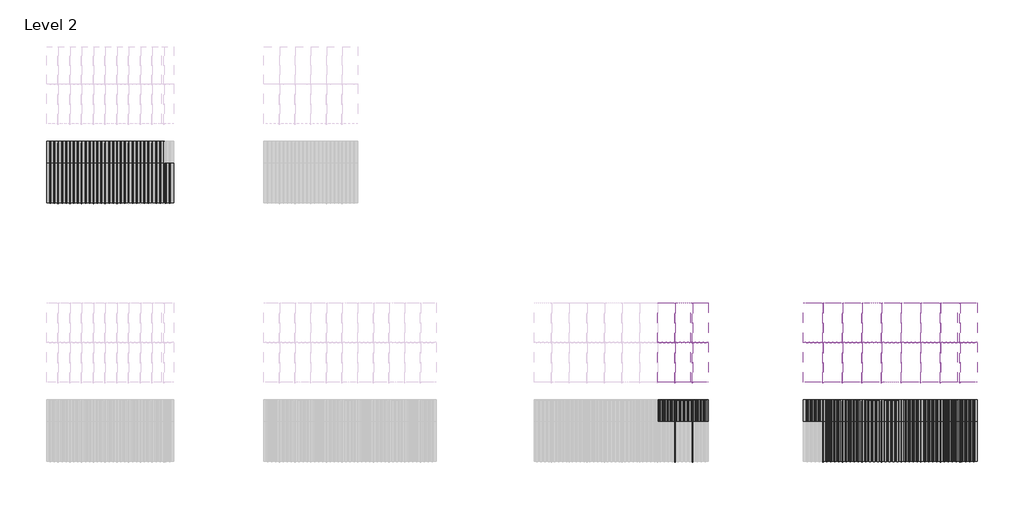
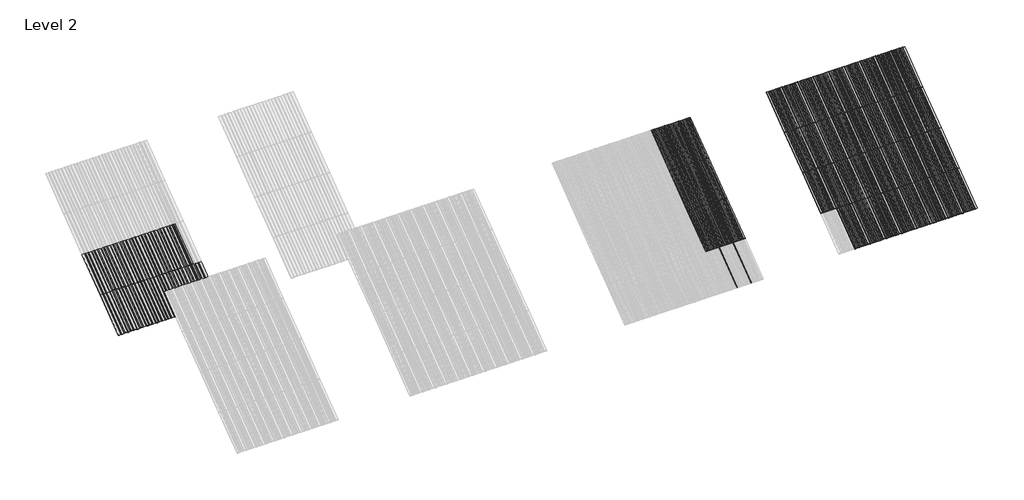
# One storey, part 44 of 113: 65 plates, 46 members.
"""IFC4 building model written with IfcOpenShell, lengths in millimetres."""

import ifcopenshell
import ifcopenshell.guid

model = None  # the IFC model being written
_history = None  # IfcOwnerHistory: only IFC2X3 demands one
_inside = {}  # id of a spatial element -> (the spatial element, [elements in it])
_under = {}  # id of a project, library or spatial element -> (it, [spatial elements below it])
_declared = {}  # id of a project -> (the project, [libraries it declares])
_typed = {}  # id of a type object -> (the type object, [elements of that type])
_made_of = {}  # id of a material, layer set ... -> (it, [elements and type objects made of it])


def new_model(schema):
    """Start an empty IFC model of exactly this schema.

    Asked for "IFC4X3", IfcOpenShell would pick the latest addendum, in which some entities
    have other attributes; the version numbers below select the first issue.
    IFC2X3 requires an IfcOwnerHistory on every rooted entity: one is made here for all.
    """
    global model, _history
    if schema == "IFC4X3":
        model = ifcopenshell.file(schema_version=(4, 3, 0, 0))
    else:
        model = ifcopenshell.file(schema=schema)
    _inside.clear()
    _under.clear()
    _declared.clear()
    _typed.clear()
    _made_of.clear()
    _history = None
    if model.schema == "IFC2X3":
        org = make("IfcOrganization", Name="unknown")
        user = make(
            "IfcPersonAndOrganization",
            ThePerson=make("IfcPerson", FamilyName="unknown"),
            TheOrganization=org,
        )
        app = make(
            "IfcApplication",
            ApplicationDeveloper=org,
            Version="unknown",
            ApplicationFullName="unknown",
            ApplicationIdentifier="unknown",
        )
        _history = make(
            "IfcOwnerHistory",
            OwningUser=user,
            OwningApplication=app,
            ChangeAction="ADDED",
            CreationDate=0,
        )
    return model


def make(cls, **values):
    """One entity of the class cls with the attributes given. An attribute that is None is left unset."""
    return model.create_entity(
        cls, **{name: value for name, value in values.items() if value is not None}
    )


def rooted(cls, **values):
    """An entity with a GlobalId (a new one), such as an element, a storey or a relation."""
    return make(cls, GlobalId=ifcopenshell.guid.new(), OwnerHistory=_history, **values)


def si_unit(unit_type, name, prefix=None):
    """IfcSIUnit, for example si_unit("LENGTHUNIT", "METRE", prefix="MILLI")."""
    return make("IfcSIUnit", UnitType=unit_type, Prefix=prefix, Name=name)


def assignment(units):
    """IfcUnitAssignment: the units of a project."""
    return None if units is None else make("IfcUnitAssignment", Units=units)


def point(xyz):
    """IfcCartesianPoint."""
    return None if xyz is None else make("IfcCartesianPoint", Coordinates=xyz)


def direction(xyz):
    """IfcDirection."""
    return None if xyz is None else make("IfcDirection", DirectionRatios=xyz)


def frame(location, z_axis=None, x_axis=None):
    """IfcAxis2Placement3D, a coordinate frame: its origin and axes. An axis left out is left unset."""
    return make(
        "IfcAxis2Placement3D",
        Location=point(location),
        Axis=direction(z_axis),
        RefDirection=direction(x_axis),
    )


def frame_2d(location, x_axis=None):
    """IfcAxis2Placement2D, a coordinate frame in the plane: its origin and x axis."""
    return make(
        "IfcAxis2Placement2D", Location=point(location), RefDirection=direction(x_axis)
    )


def origin():
    """The frame at (0, 0, 0) with its axes left unset."""
    return frame((0.0, 0.0, 0.0))


def origin_with_axes():
    """The frame at (0, 0, 0) with the z axis (0, 0, 1) and the x axis (1, 0, 0) written out."""
    return frame((0.0, 0.0, 0.0), z_axis=(0.0, 0.0, 1.0), x_axis=(1.0, 0.0, 0.0))


def place(relative_to, where):
    """IfcLocalPlacement: puts the frame where relative to a parent placement (None: the world)."""
    return make(
        "IfcLocalPlacement", PlacementRelTo=relative_to, RelativePlacement=where
    )


def context(
    kind, dimensions, precision=None, world=None, true_north=None, identifier=None
):
    """IfcGeometricRepresentationContext, for example the 3D "Model" context."""
    return make(
        "IfcGeometricRepresentationContext",
        ContextIdentifier=identifier,
        ContextType=kind,
        CoordinateSpaceDimension=dimensions,
        Precision=precision,
        WorldCoordinateSystem=world,
        TrueNorth=true_north,
    )


def project(units=None, contexts=None):
    """IfcProject with its units and contexts."""
    return rooted(
        "IfcProject",
        Name="project",
        RepresentationContexts=contexts,
        UnitsInContext=assignment(units),
    )


def spatial(cls, under=None, at=None, **own):
    """A site, building, storey or space (cls), placed at a placement, below another one or the project."""
    s = rooted(cls, ObjectPlacement=at, **own)
    if under is not None:
        _under.setdefault(under.id(), (under, []))[1].append(s)
    return s


def polyline(points):
    """IfcPolyline through the points."""
    return make("IfcPolyline", Points=[point(p) for p in points])


def circle_curve(where, radius):
    """IfcCircle in the frame where."""
    return make("IfcCircle", Position=where, Radius=radius)


def trimmed(basis, trim1, trim2, sense, master):
    """IfcTrimmedCurve: the piece of a basis curve between two trims."""
    return make(
        "IfcTrimmedCurve",
        BasisCurve=basis,
        Trim1=trim1,
        Trim2=trim2,
        SenseAgreement=sense,
        MasterRepresentation=master,
    )


def segment(curve, same_sense, transition):
    """IfcCompositeCurveSegment."""
    return make(
        "IfcCompositeCurveSegment",
        Transition=transition,
        SameSense=same_sense,
        ParentCurve=curve,
    )


def composite_curve(segments, self_intersect=None):
    """IfcCompositeCurve: segments joined end to end."""
    return make("IfcCompositeCurve", Segments=segments, SelfIntersect=self_intersect)


def outline(outer, holes=None, kind="AREA"):
    """IfcArbitraryClosedProfileDef: a profile drawn as a closed curve; with holes, ...WithVoids."""
    if holes is None:
        return make("IfcArbitraryClosedProfileDef", ProfileType=kind, OuterCurve=outer)
    return make(
        "IfcArbitraryProfileDefWithVoids",
        ProfileType=kind,
        OuterCurve=outer,
        InnerCurves=holes,
    )


def extrude(swept, where, along, depth):
    """IfcExtrudedAreaSolid: the profile swept, set in the frame where, extruded along a direction by depth."""
    return make(
        "IfcExtrudedAreaSolid",
        SweptArea=swept,
        Position=where,
        ExtrudedDirection=direction(along),
        Depth=depth,
    )


def shape(context_of_items, identifier, shape_type, items):
    """IfcShapeRepresentation: the items that make up one representation, for example the "Body"."""
    return make(
        "IfcShapeRepresentation",
        ContextOfItems=context_of_items,
        RepresentationIdentifier=identifier,
        RepresentationType=shape_type,
        Items=items,
    )


def source(mapping_origin, context_of_items, identifier, shape_type, items):
    """IfcRepresentationMap: a shape defined once, which mapped items show again and again."""
    return make(
        "IfcRepresentationMap",
        MappingOrigin=mapping_origin,
        MappedRepresentation=shape(context_of_items, identifier, shape_type, items),
    )


def transform(
    local_origin,
    x_axis=None,
    y_axis=None,
    z_axis=None,
    scale=None,
    scale2=None,
    scale3=None,
    uniform=True,
):
    """IfcCartesianTransformationOperator3D, or its non-uniform kind. x_axis, y_axis, z_axis: its Axis1, 2, 3."""
    if uniform:
        return make(
            "IfcCartesianTransformationOperator3D",
            Axis1=direction(x_axis),
            Axis2=direction(y_axis),
            LocalOrigin=point(local_origin),
            Scale=scale,
            Axis3=direction(z_axis),
        )
    return make(
        "IfcCartesianTransformationOperator3DnonUniform",
        Axis1=direction(x_axis),
        Axis2=direction(y_axis),
        LocalOrigin=point(local_origin),
        Scale=scale,
        Axis3=direction(z_axis),
        Scale2=scale2,
        Scale3=scale3,
    )


def mapped(mapping_source, mapping_target):
    """IfcMappedItem: shows the shape of a source again, moved by a transform."""
    return make(
        "IfcMappedItem", MappingSource=mapping_source, MappingTarget=mapping_target
    )


def made_of(thing, what):
    """Note that an element or type object is made of a material, layer set ...; save() writes the relation."""
    if what is not None:
        _made_of.setdefault(what.id(), (what, []))[1].append(thing)
    return thing


def element(
    cls,
    number,
    at=None,
    inside=None,
    cuts=None,
    type_object=None,
    material=None,
    context=None,
    identifier="Body",
    shape_type=None,
    held_by="IfcProductDefinitionShape",
    body=None,
    shapes=None,
    **own,
):
    """One element of the class cls, such as IfcWall. Its Tag is "e" and its number.

    at: its placement. inside: the storey or other place that contains it. cuts: it is an
    opening in that element (IfcRelVoidsElement). A single representation is given by context,
    identifier, shape_type and body (its items); several are given by shapes. held_by: the class
    of the entity that holds the representations. save() writes the other relations.
    """
    e = rooted(cls, Tag="e%d" % number, ObjectPlacement=at, **own)
    if body is not None:
        shapes = [shape(context, identifier, shape_type, body)]
    if shapes is not None:
        e.Representation = make(held_by, Representations=shapes)
    if inside is not None:
        _inside.setdefault(inside.id(), (inside, []))[1].append(e)
    if cuts is not None:
        rooted(
            "IfcRelVoidsElement", RelatingBuildingElement=cuts, RelatedOpeningElement=e
        )
    if type_object is not None:
        _typed.setdefault(type_object.id(), (type_object, []))[1].append(e)
    return made_of(e, material)


def aggregate(whole, parts):
    """IfcRelAggregates: a whole, such as a stair, and the parts it consists of."""
    return rooted("IfcRelAggregates", RelatingObject=whole, RelatedObjects=parts)


def save(model, path):
    """Write the relations noted so far, then the file.

    IfcRelAggregates (storeys below a building ...), IfcRelContainedInSpatialStructure (elements
    in a storey), IfcRelDefinesByType, IfcRelAssociatesMaterial and IfcRelDeclares: one each for
    every whole, place, type object, material and project.
    """
    for whole, parts in _under.values():
        aggregate(whole, parts)
    for where, things in _inside.values():
        rooted(
            "IfcRelContainedInSpatialStructure",
            RelatedElements=things,
            RelatingStructure=where,
        )
    for kind, things in _typed.values():
        rooted("IfcRelDefinesByType", RelatedObjects=things, RelatingType=kind)
    for what, things in _made_of.values():
        rooted("IfcRelAssociatesMaterial", RelatedObjects=things, RelatingMaterial=what)
    for by, libraries in _declared.values():
        rooted("IfcRelDeclares", RelatingContext=by, RelatedDefinitions=libraries)
    model.write(path)


def rectangular_mullion_707b4951(model_context):
    return source(origin(), model_context, "Body", "SweptSolid", [
        extrude(outline(composite_curve([segment(polyline([(-1.651, -33.918525), (-1.651, 0.396875), (1.778, 0.396875), (1.778, -36.458525)]), True, "CONTINUOUS"), segment(trimmed(circle_curve(frame_2d((-0.762, -36.458525)), 2.54), [point((1.778, -36.458525))], [point((-0.762, -38.998525))], False, "CARTESIAN"), True, "CONTINUOUS"), segment(polyline([(-0.762, -38.998525), (-5.207, -38.998525)]), True, "CONTINUOUS"), segment(trimmed(circle_curve(frame_2d((-5.207, -36.458525)), 2.54), [point((-5.207, -38.998525))], [point((-7.747, -36.458525))], False, "CARTESIAN"), True, "CONTINUOUS"), segment(polyline([(-7.747, -36.458525), (-7.747, -26.425525)]), True, "CONTINUOUS"), segment(trimmed(circle_curve(frame_2d((-5.207, -26.425525)), 2.54), [point((-7.747, -26.425525))], [point((-2.667, -26.425525))], False, "CARTESIAN"), True, "CONTINUOUS"), segment(polyline([(-2.667, -26.425525), (-2.667, -33.918525), (-1.651, -33.918525)]), True, "CONTINUOUS")], self_intersect=False)), frame((0.0, 0.0, -1285.875), z_axis=(0.0, 0.0, 1.0), x_axis=(1.0, 0.0, 0.0)), (0.0, 0.0, 1.0), 1285.875),
    ])


def plate_0_032_aluminium_893c7c46(model_context):
    return source(origin(), model_context, "Body", "SweptSolid", [
        extrude(outline(polyline([(14.706393, 0.0), (-14.706393, 0.0), (-37.203173, -3.54838), (-66.870787, -3.54838), (-89.367567, 0.0), (-118.780353, 0.0), (-141.277133, -3.54838), (-170.944747, -3.54838), (-193.441527, 0.0), (-228.6, 0.0), (-228.6, 0.8128), (-193.37782, 0.8128), (-170.88104, -2.73558), (-141.34084, -2.73558), (-118.84406, 0.8128), (-89.30386, 0.8128), (-66.80708, -2.73558), (-37.26688, -2.73558), (-14.7701, 0.8128), (14.7701, 0.8128), (37.26688, -2.73558), (66.80708, -2.73558), (89.30386, 0.8128), (118.84406, 0.8128), (141.34084, -2.73558), (170.88104, -2.73558), (193.37782, 0.8128), (228.6, 0.8128), (228.6, 0.0), (193.441527, 0.0), (170.944747, -3.54838), (141.277133, -3.54838), (118.780353, 0.0), (89.367567, 0.0), (66.870787, -3.54838), (37.203173, -3.54838), (14.706393, 0.0)])), origin_with_axes(), (0.0, 0.0, 1.0), 1285.875),
    ])


def plate_0_032_aluminium_e5f8d374(model_context):
    return source(origin(), model_context, "Body", "SweptSolid", [
        extrude(outline(polyline([(14.706393, 0.0), (-14.706393, 0.0), (-37.203173, -3.54838), (-66.870787, -3.54838), (-89.367567, 0.0), (-118.780353, 0.0), (-141.277133, -3.54838), (-170.944747, -3.54838), (-193.441527, 0.0), (-254.0, 0.0), (-254.0, 0.8128), (-193.37782, 0.8128), (-170.88104, -2.73558), (-141.34084, -2.73558), (-118.84406, 0.8128), (-89.30386, 0.8128), (-66.80708, -2.73558), (-37.26688, -2.73558), (-14.7701, 0.8128), (14.7701, 0.8128), (37.26688, -2.73558), (66.80708, -2.73558), (89.30386, 0.8128), (118.84406, 0.8128), (141.34084, -2.73558), (170.88104, -2.73558), (193.37782, 0.8128), (254.0, 0.8128), (254.0, 0.0), (193.441527, 0.0), (170.944747, -3.54838), (141.277133, -3.54838), (118.780353, 0.0), (89.367567, 0.0), (66.870787, -3.54838), (37.203173, -3.54838), (14.706393, 0.0)])), origin_with_axes(), (0.0, 0.0, 1.0), 1285.875),
    ])


def plate_0_032_aluminium_1d77b2c9(model_context):
    return source(origin(), model_context, "Body", "SweptSolid", [
        extrude(outline(polyline([(-70.35546, 0.8128), (-66.80708, -2.73558), (-37.26688, -2.73558), (-33.7185, 0.8128), (33.7185, 0.8128), (37.26688, -2.73558), (66.80708, -2.73558), (70.35546, 0.8128), (152.4, 0.8128), (152.4, 0.0), (70.419167, 0.0), (66.870787, -3.54838), (37.203173, -3.54838), (33.654793, 0.0), (-33.654793, 0.0), (-37.203173, -3.54838), (-66.870787, -3.54838), (-70.419167, 0.0), (-152.4, 0.0), (-152.4, 0.8128), (-70.35546, 0.8128)])), origin_with_axes(), (0.0, 0.0, 1.0), 1285.875),
    ])


model = new_model("IFC4")

# Units and contexts
model_context = context("Model", 3, world=origin())
ifc_project = project(units=[si_unit("LENGTHUNIT", "METRE", prefix="MILLI")], contexts=[model_context])

# Site, building, storey
site = spatial("IfcSite", under=ifc_project)
building = spatial("IfcBuilding", under=site)
storey = spatial("IfcBuildingStorey", under=building, Name="Level 2", Elevation=3048.0)

# Members
placement = place(None, origin())
rectangular_mullion_shape = rectangular_mullion_707b4951(model_context)
element("IfcMember", 1, ObjectType="Rectangular Mullion", at=placement, inside=storey, context=model_context, shape_type="MappedRepresentation", body=[
    mapped(rectangular_mullion_shape, transform((112292.4738425, 45668.9258739, 6134.1), x_axis=(1.0, 0.0, 0.0), y_axis=(0.0, 0.5999999999999946, -0.800000000000004), z_axis=(0.0, 0.800000000000004, 0.5999999999999946))),
])
element("IfcMember", 2, ObjectType="Rectangular Mullion", at=placement, inside=storey, context=model_context, shape_type="MappedRepresentation", body=[
    mapped(rectangular_mullion_shape, transform((112749.6738425, 45668.9258739, 6134.1), x_axis=(1.0, 0.0, 0.0), y_axis=(0.0, 0.5999999999999946, -0.800000000000004), z_axis=(0.0, 0.800000000000004, 0.5999999999999946))),
])
element("IfcMember", 3, ObjectType="Rectangular Mullion", at=placement, inside=storey, context=model_context, shape_type="MappedRepresentation", body=[
    mapped(rectangular_mullion_shape, transform((116127.8738425, 45668.9258739, 6134.1), x_axis=(1.0, 0.0, 0.0), y_axis=(0.0, 0.5999999999999946, -0.800000000000004), z_axis=(0.0, 0.800000000000004, 0.5999999999999946))),
])
element("IfcMember", 4, ObjectType="Rectangular Mullion", at=placement, inside=storey, context=model_context, shape_type="MappedRepresentation", body=[
    mapped(rectangular_mullion_shape, transform((116635.8738425, 45668.9258739, 6134.1), x_axis=(1.0, 0.0, 0.0), y_axis=(0.0, 0.5999999999999946, -0.800000000000004), z_axis=(0.0, 0.800000000000004, 0.5999999999999946))),
])
element("IfcMember", 5, ObjectType="Rectangular Mullion", at=placement, inside=storey, context=model_context, shape_type="MappedRepresentation", body=[
    mapped(rectangular_mullion_shape, transform((117143.8738425, 45668.9258739, 6134.1), x_axis=(1.0, 0.0, 0.0), y_axis=(0.0, 0.5999999999999946, -0.800000000000004), z_axis=(0.0, 0.800000000000004, 0.5999999999999946))),
])
element("IfcMember", 6, ObjectType="Rectangular Mullion", at=placement, inside=storey, context=model_context, shape_type="MappedRepresentation", body=[
    mapped(rectangular_mullion_shape, transform((117651.8738425, 45668.9258739, 6134.1), x_axis=(1.0, 0.0, 0.0), y_axis=(0.0, 0.5999999999999946, -0.800000000000004), z_axis=(0.0, 0.800000000000004, 0.5999999999999946))),
])
element("IfcMember", 7, ObjectType="Rectangular Mullion", at=placement, inside=storey, context=model_context, shape_type="MappedRepresentation", body=[
    mapped(rectangular_mullion_shape, transform((118159.8738425, 45668.9258739, 6134.1), x_axis=(1.0, 0.0, 0.0), y_axis=(0.0, 0.5999999999999946, -0.800000000000004), z_axis=(0.0, 0.800000000000004, 0.5999999999999946))),
])
element("IfcMember", 8, ObjectType="Rectangular Mullion", at=placement, inside=storey, context=model_context, shape_type="MappedRepresentation", body=[
    mapped(rectangular_mullion_shape, transform((118667.8738425, 45668.9258739, 6134.1), x_axis=(1.0, 0.0, 0.0), y_axis=(0.0, 0.5999999999999946, -0.800000000000004), z_axis=(0.0, 0.800000000000004, 0.5999999999999946))),
])
element("IfcMember", 9, ObjectType="Rectangular Mullion", at=placement, inside=storey, context=model_context, shape_type="MappedRepresentation", body=[
    mapped(rectangular_mullion_shape, transform((119175.8738425, 45668.9258739, 6134.1), x_axis=(1.0, 0.0, 0.0), y_axis=(0.0, 0.5999999999999946, -0.800000000000004), z_axis=(0.0, 0.800000000000004, 0.5999999999999946))),
])
element("IfcMember", 10, ObjectType="Rectangular Mullion", at=placement, inside=storey, context=model_context, shape_type="MappedRepresentation", body=[
    mapped(rectangular_mullion_shape, transform((119683.8738425, 45668.9258739, 6134.1), x_axis=(1.0, 0.0, 0.0), y_axis=(0.0, 0.5999999999999946, -0.800000000000004), z_axis=(0.0, 0.800000000000004, 0.5999999999999946))),
])
element("IfcMember", 11, ObjectType="Rectangular Mullion", at=placement, inside=storey, context=model_context, shape_type="MappedRepresentation", body=[
    mapped(rectangular_mullion_shape, transform((112292.4738425, 42582.8258739, 3819.525), x_axis=(1.0, 0.0, 0.0), y_axis=(0.0, 0.5999999999999939, -0.8000000000000047), z_axis=(0.0, 0.8000000000000047, 0.5999999999999939))),
])
element("IfcMember", 12, ObjectType="Rectangular Mullion", at=placement, inside=storey, context=model_context, shape_type="MappedRepresentation", body=[
    mapped(rectangular_mullion_shape, transform((112749.6738425, 42582.8258739, 3819.525), x_axis=(1.0, 0.0, 0.0), y_axis=(0.0, 0.5999999999999939, -0.8000000000000047), z_axis=(0.0, 0.8000000000000047, 0.5999999999999939))),
])
element("IfcMember", 13, ObjectType="Rectangular Mullion", at=placement, inside=storey, context=model_context, shape_type="MappedRepresentation", body=[
    mapped(rectangular_mullion_shape, transform((116127.8738425, 42582.8258739, 3819.525), x_axis=(1.0, 0.0, 0.0), y_axis=(0.0, 0.5999999999999939, -0.8000000000000047), z_axis=(0.0, 0.8000000000000047, 0.5999999999999939))),
])
element("IfcMember", 14, ObjectType="Rectangular Mullion", at=placement, inside=storey, context=model_context, shape_type="MappedRepresentation", body=[
    mapped(rectangular_mullion_shape, transform((116635.8738425, 42582.8258739, 3819.525), x_axis=(1.0, 0.0, 0.0), y_axis=(0.0, 0.5999999999999939, -0.8000000000000047), z_axis=(0.0, 0.8000000000000047, 0.5999999999999939))),
])
element("IfcMember", 15, ObjectType="Rectangular Mullion", at=placement, inside=storey, context=model_context, shape_type="MappedRepresentation", body=[
    mapped(rectangular_mullion_shape, transform((117143.8738425, 42582.8258739, 3819.525), x_axis=(1.0, 0.0, 0.0), y_axis=(0.0, 0.5999999999999939, -0.8000000000000047), z_axis=(0.0, 0.8000000000000047, 0.5999999999999939))),
])
element("IfcMember", 16, ObjectType="Rectangular Mullion", at=placement, inside=storey, context=model_context, shape_type="MappedRepresentation", body=[
    mapped(rectangular_mullion_shape, transform((117651.8738425, 42582.8258739, 3819.525), x_axis=(1.0, 0.0, 0.0), y_axis=(0.0, 0.5999999999999939, -0.8000000000000047), z_axis=(0.0, 0.8000000000000047, 0.5999999999999939))),
])
element("IfcMember", 17, ObjectType="Rectangular Mullion", at=placement, inside=storey, context=model_context, shape_type="MappedRepresentation", body=[
    mapped(rectangular_mullion_shape, transform((118159.8738425, 42582.8258739, 3819.525), x_axis=(1.0, 0.0, 0.0), y_axis=(0.0, 0.5999999999999939, -0.8000000000000047), z_axis=(0.0, 0.8000000000000047, 0.5999999999999939))),
])
element("IfcMember", 18, ObjectType="Rectangular Mullion", at=placement, inside=storey, context=model_context, shape_type="MappedRepresentation", body=[
    mapped(rectangular_mullion_shape, transform((118667.8738425, 42582.8258739, 3819.525), x_axis=(1.0, 0.0, 0.0), y_axis=(0.0, 0.5999999999999939, -0.8000000000000047), z_axis=(0.0, 0.8000000000000047, 0.5999999999999939))),
])
element("IfcMember", 19, ObjectType="Rectangular Mullion", at=placement, inside=storey, context=model_context, shape_type="MappedRepresentation", body=[
    mapped(rectangular_mullion_shape, transform((119175.8738425, 42582.8258739, 3819.525), x_axis=(1.0, 0.0, 0.0), y_axis=(0.0, 0.5999999999999939, -0.8000000000000047), z_axis=(0.0, 0.8000000000000047, 0.5999999999999939))),
])
element("IfcMember", 20, ObjectType="Rectangular Mullion", at=placement, inside=storey, context=model_context, shape_type="MappedRepresentation", body=[
    mapped(rectangular_mullion_shape, transform((119683.8738425, 42582.8258739, 3819.525), x_axis=(1.0, 0.0, 0.0), y_axis=(0.0, 0.5999999999999939, -0.8000000000000047), z_axis=(0.0, 0.8000000000000047, 0.5999999999999939))),
])
element("IfcMember", 21, ObjectType="Rectangular Mullion", at=placement, inside=storey, context=model_context, shape_type="MappedRepresentation", body=[
    mapped(rectangular_mullion_shape, transform((96290.4738425, 49288.4258739, 3819.525), x_axis=(1.0, 0.0, 0.0), y_axis=(0.0, 0.5999999999999939, -0.8000000000000047), z_axis=(0.0, 0.8000000000000047, 0.5999999999999939))),
])
element("IfcMember", 22, ObjectType="Rectangular Mullion", at=placement, inside=storey, context=model_context, shape_type="MappedRepresentation", body=[
    mapped(rectangular_mullion_shape, transform((96595.2738425, 49288.4258739, 3819.525), x_axis=(1.0, 0.0, 0.0), y_axis=(0.0, 0.5999999999999939, -0.8000000000000047), z_axis=(0.0, 0.8000000000000047, 0.5999999999999939))),
])
element("IfcMember", 23, ObjectType="Rectangular Mullion", at=placement, inside=storey, context=model_context, shape_type="MappedRepresentation", body=[
    mapped(rectangular_mullion_shape, transform((96900.0738425, 49288.4258739, 3819.525), x_axis=(1.0, 0.0, 0.0), y_axis=(0.0, 0.5999999999999939, -0.8000000000000047), z_axis=(0.0, 0.8000000000000047, 0.5999999999999939))),
])
element("IfcMember", 24, ObjectType="Rectangular Mullion", at=placement, inside=storey, context=model_context, shape_type="MappedRepresentation", body=[
    mapped(rectangular_mullion_shape, transform((97204.8738425, 49288.4258739, 3819.525), x_axis=(1.0, 0.0, 0.0), y_axis=(0.0, 0.5999999999999939, -0.8000000000000047), z_axis=(0.0, 0.8000000000000047, 0.5999999999999939))),
])
element("IfcMember", 25, ObjectType="Rectangular Mullion", at=placement, inside=storey, context=model_context, shape_type="MappedRepresentation", body=[
    mapped(rectangular_mullion_shape, transform((97509.6738425, 49288.4258739, 3819.525), x_axis=(1.0, 0.0, 0.0), y_axis=(0.0, 0.5999999999999939, -0.8000000000000047), z_axis=(0.0, 0.8000000000000047, 0.5999999999999939))),
])
element("IfcMember", 26, ObjectType="Rectangular Mullion", at=placement, inside=storey, context=model_context, shape_type="MappedRepresentation", body=[
    mapped(rectangular_mullion_shape, transform((97814.4738425, 49288.4258739, 3819.525), x_axis=(1.0, 0.0, 0.0), y_axis=(0.0, 0.5999999999999939, -0.8000000000000047), z_axis=(0.0, 0.8000000000000047, 0.5999999999999939))),
])
element("IfcMember", 27, ObjectType="Rectangular Mullion", at=placement, inside=storey, context=model_context, shape_type="MappedRepresentation", body=[
    mapped(rectangular_mullion_shape, transform((112292.4738425, 43611.5258739, 4591.05), x_axis=(1.0, 0.0, 0.0), y_axis=(0.0, 0.5999999999999952, -0.8000000000000037), z_axis=(0.0, 0.8000000000000037, 0.5999999999999952))),
])
element("IfcMember", 28, ObjectType="Rectangular Mullion", at=placement, inside=storey, context=model_context, shape_type="MappedRepresentation", body=[
    mapped(rectangular_mullion_shape, transform((112749.6738425, 43611.5258739, 4591.05), x_axis=(1.0, 0.0, 0.0), y_axis=(0.0, 0.5999999999999952, -0.8000000000000037), z_axis=(0.0, 0.8000000000000037, 0.5999999999999952))),
])
element("IfcMember", 29, ObjectType="Rectangular Mullion", at=placement, inside=storey, context=model_context, shape_type="MappedRepresentation", body=[
    mapped(rectangular_mullion_shape, transform((112292.4738425, 44640.2258739, 5362.575), x_axis=(1.0, 0.0, 0.0), y_axis=(0.0, 0.5999999999999941, -0.8000000000000045), z_axis=(0.0, 0.8000000000000044, 0.599999999999994))),
])
element("IfcMember", 30, ObjectType="Rectangular Mullion", at=placement, inside=storey, context=model_context, shape_type="MappedRepresentation", body=[
    mapped(rectangular_mullion_shape, transform((112749.6738425, 44640.2258739, 5362.575), x_axis=(1.0, 0.0, 0.0), y_axis=(0.0, 0.5999999999999941, -0.8000000000000045), z_axis=(0.0, 0.8000000000000044, 0.599999999999994))),
])
element("IfcMember", 31, ObjectType="Rectangular Mullion", at=placement, inside=storey, context=model_context, shape_type="MappedRepresentation", body=[
    mapped(rectangular_mullion_shape, transform((116127.8738425, 43611.5258739, 4591.05), x_axis=(1.0, 0.0, 0.0), y_axis=(0.0, 0.5999999999999952, -0.8000000000000037), z_axis=(0.0, 0.8000000000000037, 0.5999999999999952))),
])
element("IfcMember", 32, ObjectType="Rectangular Mullion", at=placement, inside=storey, context=model_context, shape_type="MappedRepresentation", body=[
    mapped(rectangular_mullion_shape, transform((116635.8738425, 43611.5258739, 4591.05), x_axis=(1.0, 0.0, 0.0), y_axis=(0.0, 0.5999999999999952, -0.8000000000000037), z_axis=(0.0, 0.8000000000000037, 0.5999999999999952))),
])
element("IfcMember", 33, ObjectType="Rectangular Mullion", at=placement, inside=storey, context=model_context, shape_type="MappedRepresentation", body=[
    mapped(rectangular_mullion_shape, transform((116127.8738425, 44640.2258739, 5362.575), x_axis=(1.0, 0.0, 0.0), y_axis=(0.0, 0.5999999999999941, -0.8000000000000045), z_axis=(0.0, 0.8000000000000044, 0.599999999999994))),
])
element("IfcMember", 34, ObjectType="Rectangular Mullion", at=placement, inside=storey, context=model_context, shape_type="MappedRepresentation", body=[
    mapped(rectangular_mullion_shape, transform((116635.8738425, 44640.2258739, 5362.575), x_axis=(1.0, 0.0, 0.0), y_axis=(0.0, 0.5999999999999941, -0.8000000000000045), z_axis=(0.0, 0.8000000000000044, 0.599999999999994))),
])
element("IfcMember", 35, ObjectType="Rectangular Mullion", at=placement, inside=storey, context=model_context, shape_type="MappedRepresentation", body=[
    mapped(rectangular_mullion_shape, transform((117143.8738425, 43611.5258739, 4591.05), x_axis=(1.0, 0.0, 0.0), y_axis=(0.0, 0.5999999999999952, -0.8000000000000037), z_axis=(0.0, 0.8000000000000037, 0.5999999999999952))),
])
element("IfcMember", 36, ObjectType="Rectangular Mullion", at=placement, inside=storey, context=model_context, shape_type="MappedRepresentation", body=[
    mapped(rectangular_mullion_shape, transform((117651.8738425, 43611.5258739, 4591.05), x_axis=(1.0, 0.0, 0.0), y_axis=(0.0, 0.5999999999999952, -0.8000000000000037), z_axis=(0.0, 0.8000000000000037, 0.5999999999999952))),
])
element("IfcMember", 37, ObjectType="Rectangular Mullion", at=placement, inside=storey, context=model_context, shape_type="MappedRepresentation", body=[
    mapped(rectangular_mullion_shape, transform((118159.8738425, 43611.5258739, 4591.05), x_axis=(1.0, 0.0, 0.0), y_axis=(0.0, 0.5999999999999952, -0.8000000000000037), z_axis=(0.0, 0.8000000000000037, 0.5999999999999952))),
])
element("IfcMember", 38, ObjectType="Rectangular Mullion", at=placement, inside=storey, context=model_context, shape_type="MappedRepresentation", body=[
    mapped(rectangular_mullion_shape, transform((118667.8738425, 43611.5258739, 4591.05), x_axis=(1.0, 0.0, 0.0), y_axis=(0.0, 0.5999999999999952, -0.8000000000000037), z_axis=(0.0, 0.8000000000000037, 0.5999999999999952))),
])
element("IfcMember", 39, ObjectType="Rectangular Mullion", at=placement, inside=storey, context=model_context, shape_type="MappedRepresentation", body=[
    mapped(rectangular_mullion_shape, transform((119175.8738425, 43611.5258739, 4591.05), x_axis=(1.0, 0.0, 0.0), y_axis=(0.0, 0.5999999999999952, -0.8000000000000037), z_axis=(0.0, 0.8000000000000037, 0.5999999999999952))),
])
element("IfcMember", 40, ObjectType="Rectangular Mullion", at=placement, inside=storey, context=model_context, shape_type="MappedRepresentation", body=[
    mapped(rectangular_mullion_shape, transform((119683.8738425, 43611.5258739, 4591.05), x_axis=(1.0, 0.0, 0.0), y_axis=(0.0, 0.5999999999999952, -0.8000000000000037), z_axis=(0.0, 0.8000000000000037, 0.5999999999999952))),
])
element("IfcMember", 41, ObjectType="Rectangular Mullion", at=placement, inside=storey, context=model_context, shape_type="MappedRepresentation", body=[
    mapped(rectangular_mullion_shape, transform((117143.8738425, 44640.2258739, 5362.575), x_axis=(1.0, 0.0, 0.0), y_axis=(0.0, 0.5999999999999941, -0.8000000000000045), z_axis=(0.0, 0.8000000000000044, 0.599999999999994))),
])
element("IfcMember", 42, ObjectType="Rectangular Mullion", at=placement, inside=storey, context=model_context, shape_type="MappedRepresentation", body=[
    mapped(rectangular_mullion_shape, transform((117651.8738425, 44640.2258739, 5362.575), x_axis=(1.0, 0.0, 0.0), y_axis=(0.0, 0.5999999999999941, -0.8000000000000045), z_axis=(0.0, 0.8000000000000044, 0.599999999999994))),
])
element("IfcMember", 43, ObjectType="Rectangular Mullion", at=placement, inside=storey, context=model_context, shape_type="MappedRepresentation", body=[
    mapped(rectangular_mullion_shape, transform((118159.8738425, 44640.2258739, 5362.575), x_axis=(1.0, 0.0, 0.0), y_axis=(0.0, 0.5999999999999941, -0.8000000000000045), z_axis=(0.0, 0.8000000000000044, 0.599999999999994))),
])
element("IfcMember", 44, ObjectType="Rectangular Mullion", at=placement, inside=storey, context=model_context, shape_type="MappedRepresentation", body=[
    mapped(rectangular_mullion_shape, transform((118667.8738425, 44640.2258739, 5362.575), x_axis=(1.0, 0.0, 0.0), y_axis=(0.0, 0.5999999999999941, -0.8000000000000045), z_axis=(0.0, 0.8000000000000044, 0.599999999999994))),
])
element("IfcMember", 45, ObjectType="Rectangular Mullion", at=placement, inside=storey, context=model_context, shape_type="MappedRepresentation", body=[
    mapped(rectangular_mullion_shape, transform((119175.8738425, 44640.2258739, 5362.575), x_axis=(1.0, 0.0, 0.0), y_axis=(0.0, 0.5999999999999941, -0.8000000000000045), z_axis=(0.0, 0.8000000000000044, 0.599999999999994))),
])
element("IfcMember", 46, ObjectType="Rectangular Mullion", at=placement, inside=storey, context=model_context, shape_type="MappedRepresentation", body=[
    mapped(rectangular_mullion_shape, transform((119683.8738425, 44640.2258739, 5362.575), x_axis=(1.0, 0.0, 0.0), y_axis=(0.0, 0.5999999999999941, -0.8000000000000045), z_axis=(0.0, 0.8000000000000044, 0.599999999999994))),
])

# Plates
plate_0_032_aluminium_shape = plate_0_032_aluminium_893c7c46(model_context)
element("IfcPlate", 47, ObjectType="24 Ga. Steel", at=placement, inside=storey, context=model_context, shape_type="MappedRepresentation", body=[
    mapped(plate_0_032_aluminium_shape, transform((112063.9373425, 42582.8258739, 3819.525), x_axis=(1.0, 0.0, 0.0), y_axis=(0.0, 0.5999999999999943, -0.8000000000000043), z_axis=(0.0, 0.8000000000000043, 0.5999999999999943))),
])
element("IfcPlate", 48, ObjectType="24 Ga. Steel", at=placement, inside=storey, context=model_context, shape_type="MappedRepresentation", body=[
    mapped(plate_0_032_aluminium_shape, transform((112063.9373425, 43611.5258739, 4591.05), x_axis=(1.0, 0.0, 0.0), y_axis=(0.0, 0.5999999999999943, -0.8000000000000043), z_axis=(0.0, 0.8000000000000043, 0.5999999999999943))),
])
element("IfcPlate", 49, ObjectType="24 Ga. Steel", at=placement, inside=storey, context=model_context, shape_type="MappedRepresentation", body=[
    mapped(plate_0_032_aluminium_shape, transform((112063.9373425, 44640.2258739, 5362.575), x_axis=(1.0, 0.0, 0.0), y_axis=(0.0, 0.5999999999999943, -0.8000000000000043), z_axis=(0.0, 0.8000000000000043, 0.5999999999999943))),
])
element("IfcPlate", 50, ObjectType="24 Ga. Steel", at=placement, inside=storey, context=model_context, shape_type="MappedRepresentation", body=[
    mapped(plate_0_032_aluminium_shape, transform((112521.1373425, 42582.8258739, 3819.525), x_axis=(1.0, 0.0, 0.0), y_axis=(0.0, 0.5999999999999943, -0.8000000000000043), z_axis=(0.0, 0.8000000000000043, 0.5999999999999943))),
])
element("IfcPlate", 51, ObjectType="24 Ga. Steel", at=placement, inside=storey, context=model_context, shape_type="MappedRepresentation", body=[
    mapped(plate_0_032_aluminium_shape, transform((112521.1373425, 43611.5258739, 4591.05), x_axis=(1.0, 0.0, 0.0), y_axis=(0.0, 0.5999999999999943, -0.8000000000000043), z_axis=(0.0, 0.8000000000000043, 0.5999999999999943))),
])
element("IfcPlate", 52, ObjectType="24 Ga. Steel", at=placement, inside=storey, context=model_context, shape_type="MappedRepresentation", body=[
    mapped(plate_0_032_aluminium_shape, transform((112521.1373425, 44640.2258739, 5362.575), x_axis=(1.0, 0.0, 0.0), y_axis=(0.0, 0.5999999999999943, -0.8000000000000043), z_axis=(0.0, 0.8000000000000043, 0.5999999999999943))),
])
element("IfcPlate", 53, ObjectType="24 Ga. Steel", at=placement, inside=storey, context=model_context, shape_type="MappedRepresentation", body=[
    mapped(plate_0_032_aluminium_shape, transform((112921.5683425, 42582.8258739, 3819.525), x_axis=(1.0, 0.0, 0.0), y_axis=(0.0, 0.5999999999999943, -0.8000000000000043), z_axis=(0.0, 0.8000000000000043, 0.5999999999999943))),
])
element("IfcPlate", 54, ObjectType="24 Ga. Steel", at=placement, inside=storey, context=model_context, shape_type="MappedRepresentation", body=[
    mapped(plate_0_032_aluminium_shape, transform((112921.5683425, 43611.5258739, 4591.05), x_axis=(1.0, 0.0, 0.0), y_axis=(0.0, 0.5999999999999943, -0.8000000000000043), z_axis=(0.0, 0.8000000000000043, 0.5999999999999943))),
])
element("IfcPlate", 55, ObjectType="24 Ga. Steel", at=placement, inside=storey, context=model_context, shape_type="MappedRepresentation", body=[
    mapped(plate_0_032_aluminium_shape, transform((112921.5683425, 44640.2258739, 5362.575), x_axis=(1.0, 0.0, 0.0), y_axis=(0.0, 0.5999999999999943, -0.8000000000000043), z_axis=(0.0, 0.8000000000000043, 0.5999999999999943))),
])
plate_0_032_aluminium_2_shape = plate_0_032_aluminium_e5f8d374(model_context)
element("IfcPlate", 56, ObjectType="24 Ga. Steel", at=placement, inside=storey, context=model_context, shape_type="MappedRepresentation", body=[
    mapped(plate_0_032_aluminium_2_shape, transform((115873.8738423, 42582.8258739, 3819.525), x_axis=(1.0, 0.0, 0.0), y_axis=(0.0, 0.5999999999999943, -0.8000000000000043), z_axis=(0.0, 0.8000000000000043, 0.5999999999999943))),
])
element("IfcPlate", 57, ObjectType="24 Ga. Steel", at=placement, inside=storey, context=model_context, shape_type="MappedRepresentation", body=[
    mapped(plate_0_032_aluminium_2_shape, transform((115873.8738423, 43611.5258739, 4591.05), x_axis=(1.0, 0.0, 0.0), y_axis=(0.0, 0.5999999999999943, -0.8000000000000043), z_axis=(0.0, 0.8000000000000043, 0.5999999999999943))),
])
element("IfcPlate", 58, ObjectType="24 Ga. Steel", at=placement, inside=storey, context=model_context, shape_type="MappedRepresentation", body=[
    mapped(plate_0_032_aluminium_2_shape, transform((115873.8738423, 44640.2258739, 5362.575), x_axis=(1.0, 0.0, 0.0), y_axis=(0.0, 0.5999999999999943, -0.8000000000000043), z_axis=(0.0, 0.8000000000000043, 0.5999999999999943))),
])
element("IfcPlate", 59, ObjectType="24 Ga. Steel", at=placement, inside=storey, context=model_context, shape_type="MappedRepresentation", body=[
    mapped(plate_0_032_aluminium_2_shape, transform((116381.9373425, 41554.1258739, 3048.0), x_axis=(1.0, 0.0, 0.0), y_axis=(0.0, 0.5999999999999943, -0.8000000000000043), z_axis=(0.0, 0.8000000000000043, 0.5999999999999943))),
])
element("IfcPlate", 60, ObjectType="24 Ga. Steel", at=placement, inside=storey, context=model_context, shape_type="MappedRepresentation", body=[
    mapped(plate_0_032_aluminium_2_shape, transform((116889.9373425, 41554.1258739, 3048.0), x_axis=(1.0, 0.0, 0.0), y_axis=(0.0, 0.5999999999999943, -0.8000000000000043), z_axis=(0.0, 0.8000000000000043, 0.5999999999999943))),
])
element("IfcPlate", 61, ObjectType="24 Ga. Steel", at=placement, inside=storey, context=model_context, shape_type="MappedRepresentation", body=[
    mapped(plate_0_032_aluminium_2_shape, transform((116381.9373425, 42582.8258739, 3819.525), x_axis=(1.0, 0.0, 0.0), y_axis=(0.0, 0.5999999999999943, -0.8000000000000043), z_axis=(0.0, 0.8000000000000043, 0.5999999999999943))),
])
element("IfcPlate", 62, ObjectType="24 Ga. Steel", at=placement, inside=storey, context=model_context, shape_type="MappedRepresentation", body=[
    mapped(plate_0_032_aluminium_2_shape, transform((116889.9373425, 42582.8258739, 3819.525), x_axis=(1.0, 0.0, 0.0), y_axis=(0.0, 0.5999999999999943, -0.8000000000000043), z_axis=(0.0, 0.8000000000000043, 0.5999999999999943))),
])
element("IfcPlate", 63, ObjectType="24 Ga. Steel", at=placement, inside=storey, context=model_context, shape_type="MappedRepresentation", body=[
    mapped(plate_0_032_aluminium_2_shape, transform((116381.9373425, 43611.5258739, 4591.05), x_axis=(1.0, 0.0, 0.0), y_axis=(0.0, 0.5999999999999943, -0.8000000000000043), z_axis=(0.0, 0.8000000000000043, 0.5999999999999943))),
])
element("IfcPlate", 64, ObjectType="24 Ga. Steel", at=placement, inside=storey, context=model_context, shape_type="MappedRepresentation", body=[
    mapped(plate_0_032_aluminium_2_shape, transform((116889.9373425, 43611.5258739, 4591.05), x_axis=(1.0, 0.0, 0.0), y_axis=(0.0, 0.5999999999999943, -0.8000000000000043), z_axis=(0.0, 0.8000000000000043, 0.5999999999999943))),
])
element("IfcPlate", 65, ObjectType="24 Ga. Steel", at=placement, inside=storey, context=model_context, shape_type="MappedRepresentation", body=[
    mapped(plate_0_032_aluminium_2_shape, transform((116381.9373425, 44640.2258739, 5362.575), x_axis=(1.0, 0.0, 0.0), y_axis=(0.0, 0.5999999999999943, -0.8000000000000043), z_axis=(0.0, 0.8000000000000043, 0.5999999999999943))),
])
element("IfcPlate", 66, ObjectType="24 Ga. Steel", at=placement, inside=storey, context=model_context, shape_type="MappedRepresentation", body=[
    mapped(plate_0_032_aluminium_2_shape, transform((116889.9373425, 44640.2258739, 5362.575), x_axis=(1.0, 0.0, 0.0), y_axis=(0.0, 0.5999999999999943, -0.8000000000000043), z_axis=(0.0, 0.8000000000000043, 0.5999999999999943))),
])
element("IfcPlate", 67, ObjectType="24 Ga. Steel", at=placement, inside=storey, context=model_context, shape_type="MappedRepresentation", body=[
    mapped(plate_0_032_aluminium_2_shape, transform((117397.9373425, 41554.1258739, 3048.0), x_axis=(1.0, 0.0, 0.0), y_axis=(0.0, 0.5999999999999943, -0.8000000000000043), z_axis=(0.0, 0.8000000000000043, 0.5999999999999943))),
])
element("IfcPlate", 68, ObjectType="24 Ga. Steel", at=placement, inside=storey, context=model_context, shape_type="MappedRepresentation", body=[
    mapped(plate_0_032_aluminium_2_shape, transform((117397.9373425, 42582.8258739, 3819.525), x_axis=(1.0, 0.0, 0.0), y_axis=(0.0, 0.5999999999999943, -0.8000000000000043), z_axis=(0.0, 0.8000000000000043, 0.5999999999999943))),
])
element("IfcPlate", 69, ObjectType="24 Ga. Steel", at=placement, inside=storey, context=model_context, shape_type="MappedRepresentation", body=[
    mapped(plate_0_032_aluminium_2_shape, transform((117397.9373425, 43611.5258739, 4591.05), x_axis=(1.0, 0.0, 0.0), y_axis=(0.0, 0.5999999999999943, -0.8000000000000043), z_axis=(0.0, 0.8000000000000043, 0.5999999999999943))),
])
element("IfcPlate", 70, ObjectType="24 Ga. Steel", at=placement, inside=storey, context=model_context, shape_type="MappedRepresentation", body=[
    mapped(plate_0_032_aluminium_2_shape, transform((117397.9373425, 44640.2258739, 5362.575), x_axis=(1.0, 0.0, 0.0), y_axis=(0.0, 0.5999999999999943, -0.8000000000000043), z_axis=(0.0, 0.8000000000000043, 0.5999999999999943))),
])
element("IfcPlate", 71, ObjectType="24 Ga. Steel", at=placement, inside=storey, context=model_context, shape_type="MappedRepresentation", body=[
    mapped(plate_0_032_aluminium_2_shape, transform((117905.9373425, 41554.1258739, 3048.0), x_axis=(1.0, 0.0, 0.0), y_axis=(0.0, 0.5999999999999943, -0.8000000000000043), z_axis=(0.0, 0.8000000000000043, 0.5999999999999943))),
])
element("IfcPlate", 72, ObjectType="24 Ga. Steel", at=placement, inside=storey, context=model_context, shape_type="MappedRepresentation", body=[
    mapped(plate_0_032_aluminium_2_shape, transform((117905.9373425, 42582.8258739, 3819.525), x_axis=(1.0, 0.0, 0.0), y_axis=(0.0, 0.5999999999999943, -0.8000000000000043), z_axis=(0.0, 0.8000000000000043, 0.5999999999999943))),
])
element("IfcPlate", 73, ObjectType="24 Ga. Steel", at=placement, inside=storey, context=model_context, shape_type="MappedRepresentation", body=[
    mapped(plate_0_032_aluminium_2_shape, transform((117905.9373425, 43611.5258739, 4591.05), x_axis=(1.0, 0.0, 0.0), y_axis=(0.0, 0.5999999999999943, -0.8000000000000043), z_axis=(0.0, 0.8000000000000043, 0.5999999999999943))),
])
element("IfcPlate", 74, ObjectType="24 Ga. Steel", at=placement, inside=storey, context=model_context, shape_type="MappedRepresentation", body=[
    mapped(plate_0_032_aluminium_2_shape, transform((117905.9373425, 44640.2258739, 5362.575), x_axis=(1.0, 0.0, 0.0), y_axis=(0.0, 0.5999999999999943, -0.8000000000000043), z_axis=(0.0, 0.8000000000000043, 0.5999999999999943))),
])
element("IfcPlate", 75, ObjectType="24 Ga. Steel", at=placement, inside=storey, context=model_context, shape_type="MappedRepresentation", body=[
    mapped(plate_0_032_aluminium_2_shape, transform((118413.9373425, 41554.1258739, 3048.0), x_axis=(1.0, 0.0, 0.0), y_axis=(0.0, 0.5999999999999943, -0.8000000000000043), z_axis=(0.0, 0.8000000000000043, 0.5999999999999943))),
])
element("IfcPlate", 76, ObjectType="24 Ga. Steel", at=placement, inside=storey, context=model_context, shape_type="MappedRepresentation", body=[
    mapped(plate_0_032_aluminium_2_shape, transform((118413.9373425, 42582.8258739, 3819.525), x_axis=(1.0, 0.0, 0.0), y_axis=(0.0, 0.5999999999999943, -0.8000000000000043), z_axis=(0.0, 0.8000000000000043, 0.5999999999999943))),
])
element("IfcPlate", 77, ObjectType="24 Ga. Steel", at=placement, inside=storey, context=model_context, shape_type="MappedRepresentation", body=[
    mapped(plate_0_032_aluminium_2_shape, transform((118413.9373425, 43611.5258739, 4591.05), x_axis=(1.0, 0.0, 0.0), y_axis=(0.0, 0.5999999999999943, -0.8000000000000043), z_axis=(0.0, 0.8000000000000043, 0.5999999999999943))),
])
element("IfcPlate", 78, ObjectType="24 Ga. Steel", at=placement, inside=storey, context=model_context, shape_type="MappedRepresentation", body=[
    mapped(plate_0_032_aluminium_2_shape, transform((118413.9373425, 44640.2258739, 5362.575), x_axis=(1.0, 0.0, 0.0), y_axis=(0.0, 0.5999999999999943, -0.8000000000000043), z_axis=(0.0, 0.8000000000000043, 0.5999999999999943))),
])
element("IfcPlate", 79, ObjectType="24 Ga. Steel", at=placement, inside=storey, context=model_context, shape_type="MappedRepresentation", body=[
    mapped(plate_0_032_aluminium_2_shape, transform((118921.9373425, 41554.1258739, 3048.0), x_axis=(1.0, 0.0, 0.0), y_axis=(0.0, 0.5999999999999943, -0.8000000000000043), z_axis=(0.0, 0.8000000000000043, 0.5999999999999943))),
])
element("IfcPlate", 80, ObjectType="24 Ga. Steel", at=placement, inside=storey, context=model_context, shape_type="MappedRepresentation", body=[
    mapped(plate_0_032_aluminium_2_shape, transform((118921.9373425, 42582.8258739, 3819.525), x_axis=(1.0, 0.0, 0.0), y_axis=(0.0, 0.5999999999999943, -0.8000000000000043), z_axis=(0.0, 0.8000000000000043, 0.5999999999999943))),
])
element("IfcPlate", 81, ObjectType="24 Ga. Steel", at=placement, inside=storey, context=model_context, shape_type="MappedRepresentation", body=[
    mapped(plate_0_032_aluminium_2_shape, transform((118921.9373425, 43611.5258739, 4591.05), x_axis=(1.0, 0.0, 0.0), y_axis=(0.0, 0.5999999999999943, -0.8000000000000043), z_axis=(0.0, 0.8000000000000043, 0.5999999999999943))),
])
element("IfcPlate", 82, ObjectType="24 Ga. Steel", at=placement, inside=storey, context=model_context, shape_type="MappedRepresentation", body=[
    mapped(plate_0_032_aluminium_2_shape, transform((118921.9373425, 44640.2258739, 5362.575), x_axis=(1.0, 0.0, 0.0), y_axis=(0.0, 0.5999999999999943, -0.8000000000000043), z_axis=(0.0, 0.8000000000000043, 0.5999999999999943))),
])
element("IfcPlate", 83, ObjectType="24 Ga. Steel", at=placement, inside=storey, context=model_context, shape_type="MappedRepresentation", body=[
    mapped(plate_0_032_aluminium_2_shape, transform((119429.9373425, 41554.1258739, 3048.0), x_axis=(1.0, 0.0, 0.0), y_axis=(0.0, 0.5999999999999943, -0.8000000000000043), z_axis=(0.0, 0.8000000000000043, 0.5999999999999943))),
])
element("IfcPlate", 84, ObjectType="24 Ga. Steel", at=placement, inside=storey, context=model_context, shape_type="MappedRepresentation", body=[
    mapped(plate_0_032_aluminium_2_shape, transform((119429.9373425, 42582.8258739, 3819.525), x_axis=(1.0, 0.0, 0.0), y_axis=(0.0, 0.5999999999999943, -0.8000000000000043), z_axis=(0.0, 0.8000000000000043, 0.5999999999999943))),
])
element("IfcPlate", 85, ObjectType="24 Ga. Steel", at=placement, inside=storey, context=model_context, shape_type="MappedRepresentation", body=[
    mapped(plate_0_032_aluminium_2_shape, transform((119429.9373425, 43611.5258739, 4591.05), x_axis=(1.0, 0.0, 0.0), y_axis=(0.0, 0.5999999999999943, -0.8000000000000043), z_axis=(0.0, 0.8000000000000043, 0.5999999999999943))),
])
element("IfcPlate", 86, ObjectType="24 Ga. Steel", at=placement, inside=storey, context=model_context, shape_type="MappedRepresentation", body=[
    mapped(plate_0_032_aluminium_2_shape, transform((119429.9373425, 44640.2258739, 5362.575), x_axis=(1.0, 0.0, 0.0), y_axis=(0.0, 0.5999999999999943, -0.8000000000000043), z_axis=(0.0, 0.8000000000000043, 0.5999999999999943))),
])
element("IfcPlate", 87, ObjectType="24 Ga. Steel", at=placement, inside=storey, context=model_context, shape_type="MappedRepresentation", body=[
    mapped(plate_0_032_aluminium_2_shape, transform((119881.1683425, 41554.1258739, 3048.0), x_axis=(1.0, 0.0, 0.0), y_axis=(0.0, 0.5999999999999943, -0.8000000000000043), z_axis=(0.0, 0.8000000000000043, 0.5999999999999943))),
])
element("IfcPlate", 88, ObjectType="24 Ga. Steel", at=placement, inside=storey, context=model_context, shape_type="MappedRepresentation", body=[
    mapped(plate_0_032_aluminium_2_shape, transform((119881.1683425, 42582.8258739, 3819.525), x_axis=(1.0, 0.0, 0.0), y_axis=(0.0, 0.5999999999999943, -0.8000000000000043), z_axis=(0.0, 0.8000000000000043, 0.5999999999999943))),
])
element("IfcPlate", 89, ObjectType="24 Ga. Steel", at=placement, inside=storey, context=model_context, shape_type="MappedRepresentation", body=[
    mapped(plate_0_032_aluminium_2_shape, transform((119881.1683425, 43611.5258739, 4591.05), x_axis=(1.0, 0.0, 0.0), y_axis=(0.0, 0.5999999999999943, -0.8000000000000043), z_axis=(0.0, 0.8000000000000043, 0.5999999999999943))),
])
element("IfcPlate", 90, ObjectType="24 Ga. Steel", at=placement, inside=storey, context=model_context, shape_type="MappedRepresentation", body=[
    mapped(plate_0_032_aluminium_2_shape, transform((119881.1683425, 44640.2258739, 5362.575), x_axis=(1.0, 0.0, 0.0), y_axis=(0.0, 0.5999999999999943, -0.8000000000000043), z_axis=(0.0, 0.8000000000000043, 0.5999999999999943))),
])
plate_0_032_aluminium_3_shape = plate_0_032_aluminium_1d77b2c9(model_context)
element("IfcPlate", 91, ObjectType="24 Ga. Steel", at=placement, inside=storey, context=model_context, shape_type="MappedRepresentation", body=[
    mapped(plate_0_032_aluminium_3_shape, transform((96138.1373425, 48259.7258739, 3048.0), x_axis=(1.0, 0.0, 0.0), y_axis=(0.0, 0.5999999999999943, -0.8000000000000043), z_axis=(0.0, 0.8000000000000043, 0.5999999999999943))),
])
element("IfcPlate", 92, ObjectType="24 Ga. Steel", at=placement, inside=storey, context=model_context, shape_type="MappedRepresentation", body=[
    mapped(plate_0_032_aluminium_3_shape, transform((96138.1373425, 49288.4258739, 3819.525), x_axis=(1.0, 0.0, 0.0), y_axis=(0.0, 0.5999999999999943, -0.8000000000000043), z_axis=(0.0, 0.8000000000000043, 0.5999999999999943))),
])
element("IfcPlate", 93, ObjectType="24 Ga. Steel", at=placement, inside=storey, context=model_context, shape_type="MappedRepresentation", body=[
    mapped(plate_0_032_aluminium_3_shape, transform((96442.9373425, 48259.7258739, 3048.0), x_axis=(1.0, 0.0, 0.0), y_axis=(0.0, 0.5999999999999943, -0.8000000000000043), z_axis=(0.0, 0.8000000000000043, 0.5999999999999943))),
])
element("IfcPlate", 94, ObjectType="24 Ga. Steel", at=placement, inside=storey, context=model_context, shape_type="MappedRepresentation", body=[
    mapped(plate_0_032_aluminium_3_shape, transform((96442.9373425, 49288.4258739, 3819.525), x_axis=(1.0, 0.0, 0.0), y_axis=(0.0, 0.5999999999999943, -0.8000000000000043), z_axis=(0.0, 0.8000000000000043, 0.5999999999999943))),
])
element("IfcPlate", 95, ObjectType="24 Ga. Steel", at=placement, inside=storey, context=model_context, shape_type="MappedRepresentation", body=[
    mapped(plate_0_032_aluminium_3_shape, transform((96747.7373425, 48259.7258739, 3048.0), x_axis=(1.0, 0.0, 0.0), y_axis=(0.0, 0.5999999999999943, -0.8000000000000043), z_axis=(0.0, 0.8000000000000043, 0.5999999999999943))),
])
element("IfcPlate", 96, ObjectType="24 Ga. Steel", at=placement, inside=storey, context=model_context, shape_type="MappedRepresentation", body=[
    mapped(plate_0_032_aluminium_3_shape, transform((96747.7373425, 49288.4258739, 3819.525), x_axis=(1.0, 0.0, 0.0), y_axis=(0.0, 0.5999999999999943, -0.8000000000000043), z_axis=(0.0, 0.8000000000000043, 0.5999999999999943))),
])
element("IfcPlate", 97, ObjectType="24 Ga. Steel", at=placement, inside=storey, context=model_context, shape_type="MappedRepresentation", body=[
    mapped(plate_0_032_aluminium_3_shape, transform((97052.5373425, 48259.7258739, 3048.0), x_axis=(1.0, 0.0, 0.0), y_axis=(0.0, 0.5999999999999943, -0.8000000000000043), z_axis=(0.0, 0.8000000000000043, 0.5999999999999943))),
])
element("IfcPlate", 98, ObjectType="24 Ga. Steel", at=placement, inside=storey, context=model_context, shape_type="MappedRepresentation", body=[
    mapped(plate_0_032_aluminium_3_shape, transform((97052.5373425, 49288.4258739, 3819.525), x_axis=(1.0, 0.0, 0.0), y_axis=(0.0, 0.5999999999999943, -0.8000000000000043), z_axis=(0.0, 0.8000000000000043, 0.5999999999999943))),
])
element("IfcPlate", 99, ObjectType="24 Ga. Steel", at=placement, inside=storey, context=model_context, shape_type="MappedRepresentation", body=[
    mapped(plate_0_032_aluminium_3_shape, transform((97357.3373425, 48259.7258739, 3048.0), x_axis=(1.0, 0.0, 0.0), y_axis=(0.0, 0.5999999999999943, -0.8000000000000043), z_axis=(0.0, 0.8000000000000043, 0.5999999999999943))),
])
element("IfcPlate", 100, ObjectType="24 Ga. Steel", at=placement, inside=storey, context=model_context, shape_type="MappedRepresentation", body=[
    mapped(plate_0_032_aluminium_3_shape, transform((97357.3373425, 49288.4258739, 3819.525), x_axis=(1.0, 0.0, 0.0), y_axis=(0.0, 0.5999999999999943, -0.8000000000000043), z_axis=(0.0, 0.8000000000000043, 0.5999999999999943))),
])
element("IfcPlate", 101, ObjectType="24 Ga. Steel", at=placement, inside=storey, context=model_context, shape_type="MappedRepresentation", body=[
    mapped(plate_0_032_aluminium_3_shape, transform((97662.1373425, 48259.7258739, 3048.0), x_axis=(1.0, 0.0, 0.0), y_axis=(0.0, 0.5999999999999943, -0.8000000000000043), z_axis=(0.0, 0.8000000000000043, 0.5999999999999943))),
])
element("IfcPlate", 102, ObjectType="24 Ga. Steel", at=placement, inside=storey, context=model_context, shape_type="MappedRepresentation", body=[
    mapped(plate_0_032_aluminium_3_shape, transform((97662.1373425, 49288.4258739, 3819.525), x_axis=(1.0, 0.0, 0.0), y_axis=(0.0, 0.5999999999999943, -0.8000000000000043), z_axis=(0.0, 0.8000000000000043, 0.5999999999999943))),
])
element("IfcPlate", 103, ObjectType="24 Ga. Steel", at=placement, inside=storey, context=model_context, shape_type="MappedRepresentation", body=[
    mapped(plate_0_032_aluminium_3_shape, transform((97966.9373425, 48259.7258739, 3048.0), x_axis=(1.0, 0.0, 0.0), y_axis=(0.0, 0.5999999999999943, -0.8000000000000043), z_axis=(0.0, 0.8000000000000043, 0.5999999999999943))),
])
element("IfcPlate", 104, ObjectType="24 Ga. Steel", at=placement, inside=storey, context=model_context, shape_type="MappedRepresentation", body=[
    mapped(plate_0_032_aluminium_3_shape, transform((97966.9373425, 49288.4258739, 3819.525), x_axis=(1.0, 0.0, 0.0), y_axis=(0.0, 0.5999999999999943, -0.8000000000000043), z_axis=(0.0, 0.8000000000000043, 0.5999999999999943))),
])
element("IfcPlate", 105, ObjectType="24 Ga. Steel", at=placement, inside=storey, context=model_context, shape_type="MappedRepresentation", body=[
    mapped(plate_0_032_aluminium_3_shape, transform((98271.7373425, 48259.7258739, 3048.0), x_axis=(1.0, 0.0, 0.0), y_axis=(0.0, 0.5999999999999943, -0.8000000000000043), z_axis=(0.0, 0.8000000000000043, 0.5999999999999943))),
])
element("IfcPlate", 106, ObjectType="24 Ga. Steel", at=placement, inside=storey, context=model_context, shape_type="MappedRepresentation", body=[
    mapped(plate_0_032_aluminium_3_shape, transform((98271.7373425, 49288.4258739, 3819.525), x_axis=(1.0, 0.0, 0.0), y_axis=(0.0, 0.5999999999999943, -0.8000000000000043), z_axis=(0.0, 0.8000000000000043, 0.5999999999999943))),
])
element("IfcPlate", 107, ObjectType="24 Ga. Steel", at=placement, inside=storey, context=model_context, shape_type="MappedRepresentation", body=[
    mapped(plate_0_032_aluminium_3_shape, transform((98576.5373425, 48259.7258739, 3048.0), x_axis=(1.0, 0.0, 0.0), y_axis=(0.0, 0.5999999999999943, -0.8000000000000043), z_axis=(0.0, 0.8000000000000043, 0.5999999999999943))),
])
element("IfcPlate", 108, ObjectType="24 Ga. Steel", at=placement, inside=storey, context=model_context, shape_type="MappedRepresentation", body=[
    mapped(plate_0_032_aluminium_3_shape, transform((98576.5373425, 49288.4258739, 3819.525), x_axis=(1.0, 0.0, 0.0), y_axis=(0.0, 0.5999999999999943, -0.8000000000000043), z_axis=(0.0, 0.8000000000000043, 0.5999999999999943))),
])
element("IfcPlate", 109, ObjectType="24 Ga. Steel", at=placement, inside=storey, context=model_context, shape_type="MappedRepresentation", body=[
    mapped(plate_0_032_aluminium_3_shape, transform((98881.3373425, 48259.7258739, 3048.0), x_axis=(1.0, 0.0, 0.0), y_axis=(0.0, 0.5999999999999943, -0.8000000000000043), z_axis=(0.0, 0.8000000000000043, 0.5999999999999943))),
])
element("IfcPlate", 110, ObjectType="24 Ga. Steel", at=placement, inside=storey, context=model_context, shape_type="MappedRepresentation", body=[
    mapped(plate_0_032_aluminium_3_shape, transform((98881.3373425, 49288.4258739, 3819.525), x_axis=(1.0, 0.0, 0.0), y_axis=(0.0, 0.5999999999999943, -0.8000000000000043), z_axis=(0.0, 0.8000000000000043, 0.5999999999999943))),
])
element("IfcPlate", 111, ObjectType="24 Ga. Steel", at=placement, inside=storey, context=model_context, shape_type="MappedRepresentation", body=[
    mapped(plate_0_032_aluminium_3_shape, transform((99129.3683425, 48259.7258739, 3048.0), x_axis=(1.0, 0.0, 0.0), y_axis=(0.0, 0.5999999999999943, -0.8000000000000043), z_axis=(0.0, 0.8000000000000043, 0.5999999999999943))),
])

save(model, "model.ifc")
